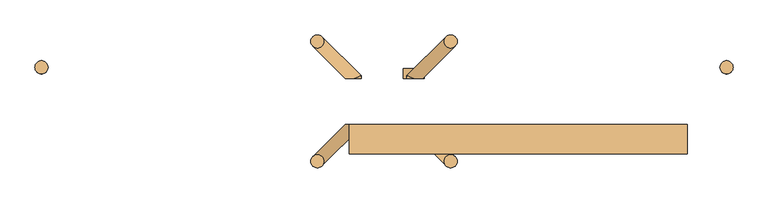
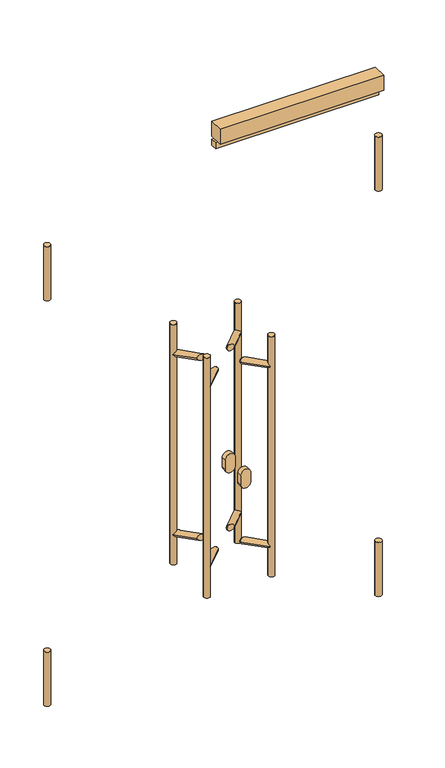
"""IFC4 building model written with IfcOpenShell, lengths in millimetres: door geometry."""

from ifc_helpers import new_model, si_unit, point, frame, frame_2d, origin, place, context, project, spatial, polyline, circle_curve, ellipse_curve, trimmed, segment, composite_curve, outline, extrude, source, transform, mapped, element, save
from ifc_brep_helpers import plane_surface, cylinder_surface, advanced_brep


def door_ab7dcd60(model_context):
    return source(origin(), model_context, "Body", "SolidModel", [
        extrude(outline(polyline([(-633.0, -70.0), (-118.0, -70.0), (-118.0, -90.0), (-633.0, -90.0), (-633.0, -70.0)])), frame((0.0, 0.0, 2051.0), z_axis=(0.0, 0.0, 1.0), x_axis=(1.0, 0.0, 0.0)), (0.0, 0.0, 1.0), 20.0),
        extrude(outline(polyline([(-633.0, -70.0), (-118.0, -70.0), (-118.0, -115.0), (-633.0, -115.0), (-633.0, -70.0)])), frame((0.0, 0.0, 2081.0), z_axis=(0.0, 0.0, 1.0), x_axis=(1.0, 0.0, 0.0)), (0.0, 0.0, 1.0), 50.0),
        advanced_brep(
        [(-488.4314575, 56.5685425, 1400.0), (-468.4314575, 56.5685425, 1400.0), (-488.4314575, 56.5685425, 600.0), (-468.4314575, 56.5685425, 600.0), (-535.0, 0.0, 710.0), (-545.0, 0.0, 700.0), (-535.0, 0.0, 690.0), (-520.8578644, 0.0, 700.0), (-535.0, 0.0, 1310.0), (-545.0, 0.0, 1300.0), (-535.0, 0.0, 1290.0), (-520.8578644, 0.0, 1300.0), (-545.0, 4.1421356, 700.0), (-545.0, 4.1421356, 1300.0), (-485.5025253, 63.6396103, 700.0), (-471.3603897, 49.4974747, 700.0), (-488.4314575, 56.5685425, 707.0710678), (-488.4314575, 56.5685425, 692.9289322), (-485.5025253, 63.6396103, 1300.0), (-471.3603897, 49.4974747, 1300.0), (-488.4314575, 56.5685425, 1307.0710678), (-488.4314575, 56.5685425, 1292.9289322)],
        [
            (0, 1, circle_curve(frame((-478.4314575, 56.5685425, 1400.0), z_axis=(0.0, 0.0, 1.0), x_axis=(1.0, 0.0, 0.0)), 10.0)),
            (1, 0, circle_curve(frame((-478.4314575, 56.5685425, 1400.0), z_axis=(0.0, 0.0, 1.0), x_axis=(1.0, 0.0, 0.0)), 10.0)),
            (2, 3, circle_curve(frame((-478.4314575, 56.5685425, 600.0), z_axis=(0.0, 0.0, -1.0), x_axis=(1.0, 0.0, 0.0)), 10.0)),
            (3, 2, circle_curve(frame((-478.4314575, 56.5685425, 600.0), z_axis=(0.0, 0.0, -1.0), x_axis=(1.0, 0.0, 0.0)), 10.0)),
            (4, 5, circle_curve(frame((-535.0, 0.0, 700.0), z_axis=(0.0, -1.0, 0.0), x_axis=(-1.0, 0.0, 0.0)), 10.0)),
            (5, 6, circle_curve(frame((-535.0, 0.0, 700.0), z_axis=(0.0, -1.0, 0.0), x_axis=(-1.0, 0.0, 0.0)), 10.0)),
            (6, 7, ellipse_curve(frame((-535.0, 0.0, 700.0), z_axis=(0.0, -1.0, 0.0), x_axis=(-1.0, 0.0, 0.0)), 14.1421356, 10.0)),
            (7, 4, ellipse_curve(frame((-535.0, 0.0, 700.0), z_axis=(0.0, -1.0, 0.0), x_axis=(-1.0, 0.0, 0.0)), 14.1421356, 10.0)),
            (8, 9, circle_curve(frame((-535.0, 0.0, 1300.0), z_axis=(0.0, -1.0, 0.0), x_axis=(-1.0, 0.0, 0.0)), 10.0)),
            (9, 10, circle_curve(frame((-535.0, 0.0, 1300.0), z_axis=(0.0, -1.0, 0.0), x_axis=(-1.0, 0.0, 0.0)), 10.0)),
            (10, 11, ellipse_curve(frame((-535.0, 0.0, 1300.0), z_axis=(0.0, -1.0, 0.0), x_axis=(-1.0, 0.0, 0.0)), 14.1421356, 10.0)),
            (11, 8, ellipse_curve(frame((-535.0, 0.0, 1300.0), z_axis=(0.0, -1.0, 0.0), x_axis=(-1.0, 0.0, 0.0)), 14.1421356, 10.0)),
            (4, 12, ellipse_curve(frame((-535.0, 0.0, 700.0), z_axis=(-0.3826834323651299, -0.9238795325112701, 0.0), x_axis=(0.9238795325112699, -0.3826834323651301, 0.0)), 10.823922, 10.0)),
            (12, 5),
            (12, 6, ellipse_curve(frame((-535.0, 0.0, 700.0), z_axis=(-0.3826834323651299, -0.9238795325112701, 0.0), x_axis=(0.9238795325112699, -0.3826834323651301, 0.0)), 10.823922, 10.0)),
            (8, 13, ellipse_curve(frame((-535.0, 0.0, 1300.0), z_axis=(-0.3826834323651299, -0.9238795325112701, 0.0), x_axis=(0.9238795325112699, -0.3826834323651301, 0.0)), 10.823922, 10.0)),
            (13, 9),
            (13, 10, ellipse_curve(frame((-535.0, 0.0, 1300.0), z_axis=(-0.3826834323651299, -0.9238795325112701, 0.0), x_axis=(0.9238795325112699, -0.3826834323651301, 0.0)), 10.823922, 10.0)),
            (14, 12),
            (7, 15),
            (15, 16, ellipse_curve(frame((-478.4314575, 56.5685425, 700.0), z_axis=(-0.5000000000000412, -0.4999999999999566, -0.707106781186549), x_axis=(-0.5000000000000456, -0.4999999999999566, 0.7071067811865459)), 14.1421356, 10.0)),
            (16, 14, ellipse_curve(frame((-478.4314575, 56.5685425, 700.0), z_axis=(-0.5000000000000412, -0.4999999999999566, -0.707106781186549), x_axis=(-0.5000000000000456, -0.4999999999999566, 0.7071067811865459)), 14.1421356, 10.0)),
            (14, 17, ellipse_curve(frame((-478.4314575, 56.5685425, 700.0), z_axis=(-0.5000000000000456, -0.4999999999999566, 0.7071067811865459), x_axis=(-0.5000000000000412, -0.4999999999999566, -0.707106781186549)), 14.1421356, 10.0)),
            (17, 15, ellipse_curve(frame((-478.4314575, 56.5685425, 700.0), z_axis=(-0.5000000000000456, -0.4999999999999566, 0.7071067811865459), x_axis=(-0.5000000000000412, -0.4999999999999566, -0.707106781186549)), 14.1421356, 10.0)),
            (18, 13),
            (11, 19),
            (19, 20, ellipse_curve(frame((-478.4314575, 56.5685425, 1300.0), z_axis=(-0.5000000000000412, -0.4999999999999566, -0.707106781186549), x_axis=(-0.5000000000000456, -0.4999999999999566, 0.7071067811865459)), 14.1421356, 10.0)),
            (20, 18, ellipse_curve(frame((-478.4314575, 56.5685425, 1300.0), z_axis=(-0.5000000000000412, -0.4999999999999566, -0.707106781186549), x_axis=(-0.5000000000000456, -0.4999999999999566, 0.7071067811865459)), 14.1421356, 10.0)),
            (18, 21, ellipse_curve(frame((-478.4314575, 56.5685425, 1300.0), z_axis=(-0.5000000000000456, -0.4999999999999566, 0.7071067811865459), x_axis=(-0.5000000000000412, -0.4999999999999566, -0.707106781186549)), 14.1421356, 10.0)),
            (21, 19, ellipse_curve(frame((-478.4314575, 56.5685425, 1300.0), z_axis=(-0.5000000000000456, -0.4999999999999566, 0.7071067811865459), x_axis=(-0.5000000000000412, -0.4999999999999566, -0.707106781186549)), 14.1421356, 10.0)),
            (0, 20),
            (21, 16),
            (17, 2),
            (3, 1),
        ],
        [
            plane_surface(frame((-468.4314575, 56.5685425, 1400.0), z_axis=(0.0, 0.0, 1.0), x_axis=(0.0, 1.0, 0.0))),
            plane_surface(frame((-468.4314575, 56.5685425, 600.0), z_axis=(0.0, 0.0, -1.0), x_axis=(0.0, -1.0, 0.0))),
            plane_surface(frame((-675.0, 0.0, 600.0), z_axis=(0.0, -1.0, 0.0), x_axis=(0.0, 0.0, 1.0))),
            cylinder_surface(frame((-535.0, -70.0, 700.0), z_axis=(0.0, -1.0, 0.0), x_axis=(-1.0, 0.0, 0.0)), 10.0),
            cylinder_surface(frame((-535.0, -70.0, 1300.0), z_axis=(0.0, -1.0, 0.0), x_axis=(-1.0, 0.0, 0.0)), 10.0),
            cylinder_surface(frame((-535.0, 0.0, 700.0), z_axis=(-0.707106781186609, -0.7071067811864862, 0.0), x_axis=(-0.7071067811864862, 0.707106781186609, 0.0)), 10.0),
            cylinder_surface(frame((-535.0, 0.0, 1300.0), z_axis=(-0.707106781186609, -0.7071067811864862, 0.0), x_axis=(-0.7071067811864862, 0.707106781186609, 0.0)), 10.0),
            cylinder_surface(frame((-478.4314575, 56.5685425, 600.0), z_axis=(0.0, 0.0, 1.0), x_axis=(1.0, 0.0, 0.0)), 10.0),
        ],
        [
            (0, [[1, 2]]),
            (1, [[3, 4]]),
            (2, [[5, 6, 7, 8]]),
            (2, [[9, 10, 11, 12]]),
            (3, [[13, 14, -5]]),
            (3, [[-14, 15, -6]]),
            (4, [[16, 17, -9]]),
            (4, [[-17, 18, -10]]),
            (5, [[19, -13, -8, 20, 21, 22]]),
            (5, [[-19, 23, 24, -20, -7, -15]]),
            (6, [[25, -16, -12, 26, 27, 28]]),
            (6, [[-25, 29, 30, -26, -11, -18]]),
            (7, [[-1, 31, -27, -30, 32, -21, -24, 33, -4, 34]]),
            (7, [[-2, -34, -3, -33, -23, -22, -32, -29, -28, -31]]),
        ],
    ),
        advanced_brep(
        [(-488.4314575, -126.5685425, 1400.0), (-468.4314575, -126.5685425, 1400.0), (-488.4314575, -126.5685425, 600.0), (-468.4314575, -126.5685425, 600.0), (-535.0, -70.0, 710.0), (-520.8578644, -70.0, 700.0), (-535.0, -70.0, 690.0), (-545.0, -70.0, 700.0), (-535.0, -70.0, 1310.0), (-520.8578644, -70.0, 1300.0), (-535.0, -70.0, 1290.0), (-545.0, -70.0, 1300.0), (-545.0, -74.1421356, 700.0), (-485.5025253, -133.6396103, 700.0), (-488.4314575, -126.5685425, 707.0710678), (-471.3603897, -119.4974747, 700.0), (-488.4314575, -126.5685425, 692.9289322), (-545.0, -74.1421356, 1300.0), (-485.5025253, -133.6396103, 1300.0), (-488.4314575, -126.5685425, 1307.0710678), (-471.3603897, -119.4974747, 1300.0), (-488.4314575, -126.5685425, 1292.9289322)],
        [
            (0, 1, circle_curve(frame((-478.4314575, -126.5685425, 1400.0), z_axis=(0.0, 0.0, 1.0), x_axis=(1.0, 0.0, 0.0)), 10.0)),
            (1, 0, circle_curve(frame((-478.4314575, -126.5685425, 1400.0), z_axis=(0.0, 0.0, 1.0), x_axis=(1.0, 0.0, 0.0)), 10.0)),
            (2, 3, circle_curve(frame((-478.4314575, -126.5685425, 600.0), z_axis=(0.0, 0.0, -1.0), x_axis=(1.0, 0.0, 0.0)), 10.0)),
            (3, 2, circle_curve(frame((-478.4314575, -126.5685425, 600.0), z_axis=(0.0, 0.0, -1.0), x_axis=(1.0, 0.0, 0.0)), 10.0)),
            (4, 5, ellipse_curve(frame((-535.0, -70.0, 700.0), z_axis=(0.0, 1.0, 0.0), x_axis=(1.0, 0.0, 0.0)), 14.1421356, 10.0)),
            (5, 6, ellipse_curve(frame((-535.0, -70.0, 700.0), z_axis=(0.0, 1.0, 0.0), x_axis=(1.0, 0.0, 0.0)), 14.1421356, 10.0)),
            (6, 7, circle_curve(frame((-535.0, -70.0, 700.0), z_axis=(0.0, 1.0, 0.0), x_axis=(-1.0, 0.0, 0.0)), 10.0)),
            (7, 4, circle_curve(frame((-535.0, -70.0, 700.0), z_axis=(0.0, 1.0, 0.0), x_axis=(-1.0, 0.0, 0.0)), 10.0)),
            (8, 9, ellipse_curve(frame((-535.0, -70.0, 1300.0), z_axis=(0.0, 1.0, 0.0), x_axis=(1.0, 0.0, 0.0)), 14.1421356, 10.0)),
            (9, 10, ellipse_curve(frame((-535.0, -70.0, 1300.0), z_axis=(0.0, 1.0, 0.0), x_axis=(1.0, 0.0, 0.0)), 14.1421356, 10.0)),
            (10, 11, circle_curve(frame((-535.0, -70.0, 1300.0), z_axis=(0.0, 1.0, 0.0), x_axis=(-1.0, 0.0, 0.0)), 10.0)),
            (11, 8, circle_curve(frame((-535.0, -70.0, 1300.0), z_axis=(0.0, 1.0, 0.0), x_axis=(-1.0, 0.0, 0.0)), 10.0)),
            (12, 13),
            (13, 14, ellipse_curve(frame((-478.4314575, -126.5685425, 700.0), z_axis=(-0.500000000000014, 0.49999999999998257, -0.7071067811865498), x_axis=(0.5000000000000198, -0.4999999999999838, -0.7071067811865449)), 14.1421356, 10.0)),
            (14, 15, ellipse_curve(frame((-478.4314575, -126.5685425, 700.0), z_axis=(-0.500000000000014, 0.49999999999998257, -0.7071067811865498), x_axis=(0.5000000000000198, -0.4999999999999838, -0.7071067811865449)), 14.1421356, 10.0)),
            (15, 5),
            (4, 12, ellipse_curve(frame((-535.0, -70.0, 700.0), z_axis=(0.38268343236510527, -0.9238795325112804, 0.0), x_axis=(0.9238795325112802, 0.38268343236510555, 0.0)), 10.823922, 10.0)),
            (12, 6, ellipse_curve(frame((-535.0, -70.0, 700.0), z_axis=(0.38268343236510527, -0.9238795325112804, 0.0), x_axis=(0.9238795325112802, 0.38268343236510555, 0.0)), 10.823922, 10.0)),
            (15, 16, ellipse_curve(frame((-478.4314575, -126.5685425, 700.0), z_axis=(-0.5000000000000197, 0.49999999999998374, 0.7071067811865451), x_axis=(0.500000000000014, -0.49999999999998257, 0.7071067811865498)), 14.1421356, 10.0)),
            (16, 13, ellipse_curve(frame((-478.4314575, -126.5685425, 700.0), z_axis=(-0.5000000000000197, 0.49999999999998374, 0.7071067811865451), x_axis=(0.500000000000014, -0.49999999999998257, 0.7071067811865498)), 14.1421356, 10.0)),
            (17, 18),
            (18, 19, ellipse_curve(frame((-478.4314575, -126.5685425, 1300.0), z_axis=(-0.500000000000014, 0.49999999999998257, -0.7071067811865498), x_axis=(0.5000000000000198, -0.4999999999999838, -0.7071067811865449)), 14.1421356, 10.0)),
            (19, 20, ellipse_curve(frame((-478.4314575, -126.5685425, 1300.0), z_axis=(-0.500000000000014, 0.49999999999998257, -0.7071067811865498), x_axis=(0.5000000000000198, -0.4999999999999838, -0.7071067811865449)), 14.1421356, 10.0)),
            (20, 9),
            (8, 17, ellipse_curve(frame((-535.0, -70.0, 1300.0), z_axis=(0.38268343236510527, -0.9238795325112804, 0.0), x_axis=(0.9238795325112802, 0.38268343236510555, 0.0)), 10.823922, 10.0)),
            (17, 10, ellipse_curve(frame((-535.0, -70.0, 1300.0), z_axis=(0.38268343236510527, -0.9238795325112804, 0.0), x_axis=(0.9238795325112802, 0.38268343236510555, 0.0)), 10.823922, 10.0)),
            (20, 21, ellipse_curve(frame((-478.4314575, -126.5685425, 1300.0), z_axis=(-0.5000000000000197, 0.49999999999998374, 0.7071067811865451), x_axis=(0.500000000000014, -0.49999999999998257, 0.7071067811865498)), 14.1421356, 10.0)),
            (21, 18, ellipse_curve(frame((-478.4314575, -126.5685425, 1300.0), z_axis=(-0.5000000000000197, 0.49999999999998374, 0.7071067811865451), x_axis=(0.500000000000014, -0.49999999999998257, 0.7071067811865498)), 14.1421356, 10.0)),
            (7, 12),
            (11, 17),
            (0, 19),
            (21, 14),
            (16, 2),
            (3, 1),
        ],
        [
            plane_surface(frame((-468.4314575, 56.5685425, 1400.0), z_axis=(0.0, 0.0, 1.0), x_axis=(0.0, 1.0, 0.0))),
            plane_surface(frame((-468.4314575, 56.5685425, 600.0), z_axis=(0.0, 0.0, -1.0), x_axis=(0.0, -1.0, 0.0))),
            plane_surface(frame((-485.0, -70.0, 600.0), z_axis=(0.0, 1.0, 0.0), x_axis=(0.0, 0.0, 1.0))),
            cylinder_surface(frame((-478.4314575, -126.5685425, 700.0), z_axis=(0.7071067811865713, -0.7071067811865237, 0.0), x_axis=(-0.7071067811865237, -0.7071067811865713, 0.0)), 10.0),
            cylinder_surface(frame((-478.4314575, -126.5685425, 1300.0), z_axis=(0.7071067811865713, -0.7071067811865237, 0.0), x_axis=(-0.7071067811865237, -0.7071067811865713, 0.0)), 10.0),
            cylinder_surface(frame((-535.0, -70.0, 700.0), z_axis=(0.0, -1.0, 0.0), x_axis=(-1.0, 0.0, 0.0)), 10.0),
            cylinder_surface(frame((-535.0, -70.0, 1300.0), z_axis=(0.0, -1.0, 0.0), x_axis=(-1.0, 0.0, 0.0)), 10.0),
            cylinder_surface(frame((-478.4314575, -126.5685425, 1000.0), z_axis=(0.0, 0.0, 1.0), x_axis=(1.0, 0.0, 0.0)), 10.0),
        ],
        [
            (0, [[1, 2]]),
            (1, [[3, 4]]),
            (2, [[5, 6, 7, 8]]),
            (2, [[9, 10, 11, 12]]),
            (3, [[13, 14, 15, 16, -5, 17]]),
            (3, [[-13, 18, -6, -16, 19, 20]]),
            (4, [[21, 22, 23, 24, -9, 25]]),
            (4, [[-21, 26, -10, -24, 27, 28]]),
            (5, [[-17, -8, 29]]),
            (5, [[-18, -29, -7]]),
            (6, [[-25, -12, 30]]),
            (6, [[-26, -30, -11]]),
            (7, [[-1, 31, -22, -28, 32, -14, -20, 33, -4, 34]]),
            (7, [[-2, -34, -3, -33, -19, -15, -32, -27, -23, -31]]),
        ],
    ),
        advanced_brep(
        [(-691.5685425, 56.5685425, 1400.0), (-671.5685425, 56.5685425, 1400.0), (-691.5685425, 56.5685425, 600.0), (-671.5685425, 56.5685425, 600.0), (-625.0, 0.0, 690.0), (-615.0, 0.0, 700.0), (-625.0, 0.0, 710.0), (-639.1421356, 0.0, 700.0), (-625.0, 0.0, 1290.0), (-615.0, 0.0, 1300.0), (-625.0, 0.0, 1310.0), (-639.1421356, 0.0, 1300.0), (-671.5685425, 56.5685425, 692.9289322), (-688.6396103, 49.4974747, 700.0), (-671.5685425, 56.5685425, 707.0710678), (-671.5685425, 56.5685425, 1292.9289322), (-688.6396103, 49.4974747, 1300.0), (-671.5685425, 56.5685425, 1307.0710678), (-674.4974747, 63.6396103, 1300.0), (-674.4974747, 63.6396103, 700.0), (-615.0, 4.1421356, 700.0), (-615.0, 4.1421356, 1300.0)],
        [
            (0, 1, circle_curve(frame((-681.5685425, 56.5685425, 1400.0), z_axis=(0.0, 0.0, 1.0), x_axis=(1.0, 0.0, 0.0)), 10.0)),
            (1, 0, circle_curve(frame((-681.5685425, 56.5685425, 1400.0), z_axis=(0.0, 0.0, 1.0), x_axis=(1.0, 0.0, 0.0)), 10.0)),
            (2, 3, circle_curve(frame((-681.5685425, 56.5685425, 600.0), z_axis=(0.0, 0.0, -1.0), x_axis=(1.0, 0.0, 0.0)), 10.0)),
            (3, 2, circle_curve(frame((-681.5685425, 56.5685425, 600.0), z_axis=(0.0, 0.0, -1.0), x_axis=(1.0, 0.0, 0.0)), 10.0)),
            (4, 5, circle_curve(frame((-625.0, 0.0, 700.0), z_axis=(0.0, -1.0, 0.0), x_axis=(-1.0, 0.0, 0.0)), 10.0)),
            (5, 6, circle_curve(frame((-625.0, 0.0, 700.0), z_axis=(0.0, -1.0, 0.0), x_axis=(-1.0, 0.0, 0.0)), 10.0)),
            (6, 7, ellipse_curve(frame((-625.0, 0.0, 700.0), z_axis=(0.0, -1.0, 0.0), x_axis=(1.0, 0.0, 0.0)), 14.1421356, 10.0)),
            (7, 4, ellipse_curve(frame((-625.0, 0.0, 700.0), z_axis=(0.0, -1.0, 0.0), x_axis=(1.0, 0.0, 0.0)), 14.1421356, 10.0)),
            (8, 9, circle_curve(frame((-625.0, 0.0, 1300.0), z_axis=(0.0, -1.0, 0.0), x_axis=(-1.0, 0.0, 0.0)), 10.0)),
            (9, 10, circle_curve(frame((-625.0, 0.0, 1300.0), z_axis=(0.0, -1.0, 0.0), x_axis=(-1.0, 0.0, 0.0)), 10.0)),
            (10, 11, ellipse_curve(frame((-625.0, 0.0, 1300.0), z_axis=(0.0, -1.0, 0.0), x_axis=(1.0, 0.0, 0.0)), 14.1421356, 10.0)),
            (11, 8, ellipse_curve(frame((-625.0, 0.0, 1300.0), z_axis=(0.0, -1.0, 0.0), x_axis=(1.0, 0.0, 0.0)), 14.1421356, 10.0)),
            (0, 2),
            (3, 12),
            (12, 13, ellipse_curve(frame((-681.5685425, 56.5685425, 700.0), z_axis=(-0.5000000000000755, 0.4999999999999223, -0.707106781186549), x_axis=(-0.5000000000000799, 0.4999999999999222, 0.707106781186546)), 14.1421356, 10.0)),
            (13, 14, ellipse_curve(frame((-681.5685425, 56.5685425, 700.0), z_axis=(-0.5000000000000799, 0.4999999999999223, 0.7071067811865459), x_axis=(0.5000000000000754, -0.4999999999999223, 0.7071067811865491)), 14.1421356, 10.0)),
            (14, 15),
            (15, 16, ellipse_curve(frame((-681.5685425, 56.5685425, 1300.0), z_axis=(-0.5000000000000755, 0.4999999999999223, -0.707106781186549), x_axis=(-0.5000000000000799, 0.4999999999999222, 0.707106781186546)), 14.1421356, 10.0)),
            (16, 17, ellipse_curve(frame((-681.5685425, 56.5685425, 1300.0), z_axis=(-0.5000000000000799, 0.4999999999999223, 0.7071067811865459), x_axis=(0.5000000000000754, -0.4999999999999223, 0.7071067811865491)), 14.1421356, 10.0)),
            (17, 1),
            (17, 18, ellipse_curve(frame((-681.5685425, 56.5685425, 1300.0), z_axis=(-0.5000000000000799, 0.4999999999999223, 0.7071067811865459), x_axis=(0.5000000000000754, -0.4999999999999223, 0.7071067811865491)), 14.1421356, 10.0)),
            (18, 15, ellipse_curve(frame((-681.5685425, 56.5685425, 1300.0), z_axis=(-0.5000000000000755, 0.4999999999999223, -0.707106781186549), x_axis=(-0.5000000000000799, 0.4999999999999222, 0.707106781186546)), 14.1421356, 10.0)),
            (14, 19, ellipse_curve(frame((-681.5685425, 56.5685425, 700.0), z_axis=(-0.5000000000000799, 0.4999999999999223, 0.7071067811865459), x_axis=(0.5000000000000754, -0.4999999999999223, 0.7071067811865491)), 14.1421356, 10.0)),
            (19, 12, ellipse_curve(frame((-681.5685425, 56.5685425, 700.0), z_axis=(-0.5000000000000755, 0.4999999999999223, -0.707106781186549), x_axis=(-0.5000000000000799, 0.4999999999999222, 0.707106781186546)), 14.1421356, 10.0)),
            (4, 20, ellipse_curve(frame((-625.0, 0.0, 700.0), z_axis=(0.3826834323651617, -0.923879532511257, 0.0), x_axis=(-0.9238795325112571, -0.3826834323651615, 0.0)), 10.823922, 10.0)),
            (20, 5),
            (20, 6, ellipse_curve(frame((-625.0, 0.0, 700.0), z_axis=(0.3826834323651617, -0.923879532511257, 0.0), x_axis=(-0.9238795325112571, -0.3826834323651615, 0.0)), 10.823922, 10.0)),
            (8, 21, ellipse_curve(frame((-625.0, 0.0, 1300.0), z_axis=(0.3826834323651617, -0.923879532511257, 0.0), x_axis=(-0.9238795325112571, -0.3826834323651615, 0.0)), 10.823922, 10.0)),
            (21, 9),
            (21, 10, ellipse_curve(frame((-625.0, 0.0, 1300.0), z_axis=(0.3826834323651617, -0.923879532511257, 0.0), x_axis=(-0.9238795325112571, -0.3826834323651615, 0.0)), 10.823922, 10.0)),
            (19, 20),
            (7, 13),
            (18, 21),
            (11, 16),
        ],
        [
            plane_surface(frame((-468.4314575, 56.5685425, 1400.0), z_axis=(0.0, 0.0, 1.0), x_axis=(0.0, 1.0, 0.0))),
            plane_surface(frame((-468.4314575, 56.5685425, 600.0), z_axis=(0.0, 0.0, -1.0), x_axis=(0.0, -1.0, 0.0))),
            plane_surface(frame((-675.0, 0.0, 600.0), z_axis=(0.0, -1.0, 0.0), x_axis=(0.0, 0.0, 1.0))),
            cylinder_surface(frame((-681.5685425, 56.5685425, 1000.0), z_axis=(0.0, 0.0, 1.0), x_axis=(1.0, 0.0, 0.0)), 10.0),
            cylinder_surface(frame((-625.0, -70.0, 700.0), z_axis=(0.0, -1.0, 0.0), x_axis=(-1.0, 0.0, 0.0)), 10.0),
            cylinder_surface(frame((-625.0, -70.0, 1300.0), z_axis=(0.0, -1.0, 0.0), x_axis=(-1.0, 0.0, 0.0)), 10.0),
            cylinder_surface(frame((-625.0, 0.0, 700.0), z_axis=(0.7071067811866575, -0.7071067811864377, 0.0), x_axis=(-0.7071067811864377, -0.7071067811866575, 0.0)), 10.0),
            cylinder_surface(frame((-625.0, 0.0, 1300.0), z_axis=(0.7071067811866575, -0.7071067811864377, 0.0), x_axis=(-0.7071067811864377, -0.7071067811866575, 0.0)), 10.0),
        ],
        [
            (0, [[1, 2]]),
            (1, [[3, 4]]),
            (2, [[5, 6, 7, 8]]),
            (2, [[9, 10, 11, 12]]),
            (3, [[-1, 13, -4, 14, 15, 16, 17, 18, 19, 20]]),
            (3, [[-2, -20, 21, 22, -17, 23, 24, -14, -3, -13]]),
            (4, [[25, 26, -5]]),
            (4, [[-26, 27, -6]]),
            (5, [[28, 29, -9]]),
            (5, [[-29, 30, -10]]),
            (6, [[31, -25, -8, 32, -15, -24]]),
            (6, [[-31, -23, -16, -32, -7, -27]]),
            (7, [[33, -28, -12, 34, -18, -22]]),
            (7, [[-33, -21, -19, -34, -11, -30]]),
        ],
    ),
        advanced_brep(
        [(-691.5685425, -126.5685425, 1400.0), (-671.5685425, -126.5685425, 1400.0), (-691.5685425, -126.5685425, 600.0), (-671.5685425, -126.5685425, 600.0), (-625.0, -70.0, 690.0), (-639.1421356, -70.0, 700.0), (-625.0, -70.0, 710.0), (-615.0, -70.0, 700.0), (-625.0, -70.0, 1290.0), (-639.1421356, -70.0, 1300.0), (-625.0, -70.0, 1310.0), (-615.0, -70.0, 1300.0), (-671.5685425, -126.5685425, 692.9289322), (-674.4974747, -133.6396103, 700.0), (-671.5685425, -126.5685425, 707.0710678), (-671.5685425, -126.5685425, 1292.9289322), (-674.4974747, -133.6396103, 1300.0), (-671.5685425, -126.5685425, 1307.0710678), (-688.6396103, -119.4974747, 1300.0), (-688.6396103, -119.4974747, 700.0), (-615.0, -74.1421356, 700.0), (-615.0, -74.1421356, 1300.0)],
        [
            (0, 1, circle_curve(frame((-681.5685425, -126.5685425, 1400.0), z_axis=(0.0, 0.0, 1.0), x_axis=(1.0, 0.0, 0.0)), 10.0)),
            (1, 0, circle_curve(frame((-681.5685425, -126.5685425, 1400.0), z_axis=(0.0, 0.0, 1.0), x_axis=(1.0, 0.0, 0.0)), 10.0)),
            (2, 3, circle_curve(frame((-681.5685425, -126.5685425, 600.0), z_axis=(0.0, 0.0, -1.0), x_axis=(1.0, 0.0, 0.0)), 10.0)),
            (3, 2, circle_curve(frame((-681.5685425, -126.5685425, 600.0), z_axis=(0.0, 0.0, -1.0), x_axis=(1.0, 0.0, 0.0)), 10.0)),
            (4, 5, ellipse_curve(frame((-625.0, -70.0, 700.0), z_axis=(0.0, 1.0, 0.0), x_axis=(-1.0, 0.0, 0.0)), 14.1421356, 10.0)),
            (5, 6, ellipse_curve(frame((-625.0, -70.0, 700.0), z_axis=(0.0, 1.0, 0.0), x_axis=(-1.0, 0.0, 0.0)), 14.1421356, 10.0)),
            (6, 7, circle_curve(frame((-625.0, -70.0, 700.0), z_axis=(0.0, 1.0, 0.0), x_axis=(-1.0, 0.0, 0.0)), 10.0)),
            (7, 4, circle_curve(frame((-625.0, -70.0, 700.0), z_axis=(0.0, 1.0, 0.0), x_axis=(-1.0, 0.0, 0.0)), 10.0)),
            (8, 9, ellipse_curve(frame((-625.0, -70.0, 1300.0), z_axis=(0.0, 1.0, 0.0), x_axis=(-1.0, 0.0, 0.0)), 14.1421356, 10.0)),
            (9, 10, ellipse_curve(frame((-625.0, -70.0, 1300.0), z_axis=(0.0, 1.0, 0.0), x_axis=(-1.0, 0.0, 0.0)), 14.1421356, 10.0)),
            (10, 11, circle_curve(frame((-625.0, -70.0, 1300.0), z_axis=(0.0, 1.0, 0.0), x_axis=(-1.0, 0.0, 0.0)), 10.0)),
            (11, 8, circle_curve(frame((-625.0, -70.0, 1300.0), z_axis=(0.0, 1.0, 0.0), x_axis=(-1.0, 0.0, 0.0)), 10.0)),
            (0, 2),
            (3, 12),
            (12, 13, ellipse_curve(frame((-681.5685425, -126.5685425, 700.0), z_axis=(-0.49999999999999156, -0.500000000000005, -0.7071067811865498), x_axis=(-0.49999999999999706, -0.500000000000006, 0.7071067811865452)), 14.1421356, 10.0)),
            (13, 14, ellipse_curve(frame((-681.5685425, -126.5685425, 700.0), z_axis=(-0.49999999999999717, -0.5000000000000062, 0.7071067811865451), x_axis=(0.4999999999999915, 0.500000000000005, 0.7071067811865498)), 14.1421356, 10.0)),
            (14, 15),
            (15, 16, ellipse_curve(frame((-681.5685425, -126.5685425, 1300.0), z_axis=(-0.49999999999999156, -0.500000000000005, -0.7071067811865498), x_axis=(-0.49999999999999706, -0.500000000000006, 0.7071067811865452)), 14.1421356, 10.0)),
            (16, 17, ellipse_curve(frame((-681.5685425, -126.5685425, 1300.0), z_axis=(-0.49999999999999717, -0.5000000000000062, 0.7071067811865451), x_axis=(0.4999999999999915, 0.500000000000005, 0.7071067811865498)), 14.1421356, 10.0)),
            (17, 1),
            (17, 18, ellipse_curve(frame((-681.5685425, -126.5685425, 1300.0), z_axis=(-0.49999999999999717, -0.5000000000000062, 0.7071067811865451), x_axis=(0.4999999999999915, 0.500000000000005, 0.7071067811865498)), 14.1421356, 10.0)),
            (18, 15, ellipse_curve(frame((-681.5685425, -126.5685425, 1300.0), z_axis=(-0.49999999999999156, -0.500000000000005, -0.7071067811865498), x_axis=(-0.49999999999999706, -0.500000000000006, 0.7071067811865452)), 14.1421356, 10.0)),
            (14, 19, ellipse_curve(frame((-681.5685425, -126.5685425, 700.0), z_axis=(-0.49999999999999717, -0.5000000000000062, 0.7071067811865451), x_axis=(0.4999999999999915, 0.500000000000005, 0.7071067811865498)), 14.1421356, 10.0)),
            (19, 12, ellipse_curve(frame((-681.5685425, -126.5685425, 700.0), z_axis=(-0.49999999999999156, -0.500000000000005, -0.7071067811865498), x_axis=(-0.49999999999999706, -0.500000000000006, 0.7071067811865452)), 14.1421356, 10.0)),
            (20, 13),
            (19, 5),
            (4, 20, ellipse_curve(frame((-625.0, -70.0, 700.0), z_axis=(-0.38268343236508445, -0.923879532511289, 0.0), x_axis=(-0.923879532511289, 0.38268343236508445, 0.0)), 10.823922, 10.0)),
            (20, 6, ellipse_curve(frame((-625.0, -70.0, 700.0), z_axis=(-0.38268343236508445, -0.923879532511289, 0.0), x_axis=(-0.923879532511289, 0.38268343236508445, 0.0)), 10.823922, 10.0)),
            (21, 16),
            (18, 9),
            (8, 21, ellipse_curve(frame((-625.0, -70.0, 1300.0), z_axis=(-0.38268343236508445, -0.923879532511289, 0.0), x_axis=(-0.923879532511289, 0.38268343236508445, 0.0)), 10.823922, 10.0)),
            (21, 10, ellipse_curve(frame((-625.0, -70.0, 1300.0), z_axis=(-0.38268343236508445, -0.923879532511289, 0.0), x_axis=(-0.923879532511289, 0.38268343236508445, 0.0)), 10.823922, 10.0)),
            (7, 20),
            (11, 21),
        ],
        [
            plane_surface(frame((-468.4314575, 56.5685425, 1400.0), z_axis=(0.0, 0.0, 1.0), x_axis=(0.0, 1.0, 0.0))),
            plane_surface(frame((-468.4314575, 56.5685425, 600.0), z_axis=(0.0, 0.0, -1.0), x_axis=(0.0, -1.0, 0.0))),
            plane_surface(frame((-485.0, -70.0, 600.0), z_axis=(0.0, 1.0, 0.0), x_axis=(0.0, 0.0, 1.0))),
            cylinder_surface(frame((-681.5685425, -126.5685425, 1000.0), z_axis=(0.0, 0.0, 1.0), x_axis=(1.0, 0.0, 0.0)), 10.0),
            cylinder_surface(frame((-681.5685425, -126.5685425, 700.0), z_axis=(-0.7071067811865396, -0.7071067811865555, 0.0), x_axis=(-0.7071067811865555, 0.7071067811865396, 0.0)), 10.0),
            cylinder_surface(frame((-681.5685425, -126.5685425, 1300.0), z_axis=(-0.7071067811865396, -0.7071067811865555, 0.0), x_axis=(-0.7071067811865555, 0.7071067811865396, 0.0)), 10.0),
            cylinder_surface(frame((-625.0, -70.0, 700.0), z_axis=(0.0, -1.0, 0.0), x_axis=(-1.0, 0.0, 0.0)), 10.0),
            cylinder_surface(frame((-625.0, -70.0, 1300.0), z_axis=(0.0, -1.0, 0.0), x_axis=(-1.0, 0.0, 0.0)), 10.0),
        ],
        [
            (0, [[1, 2]]),
            (1, [[3, 4]]),
            (2, [[5, 6, 7, 8]]),
            (2, [[9, 10, 11, 12]]),
            (3, [[-1, 13, -4, 14, 15, 16, 17, 18, 19, 20]]),
            (3, [[-2, -20, 21, 22, -17, 23, 24, -14, -3, -13]]),
            (4, [[25, -15, -24, 26, -5, 27]]),
            (4, [[-25, 28, -6, -26, -23, -16]]),
            (5, [[29, -18, -22, 30, -9, 31]]),
            (5, [[-29, 32, -10, -30, -21, -19]]),
            (6, [[-27, -8, 33]]),
            (6, [[-28, -33, -7]]),
            (7, [[-31, -12, 34]]),
            (7, [[-32, -34, -11]]),
        ],
    ),
        extrude(outline(composite_curve([segment(polyline([(930.0, -551.0), (900.0, -551.0)]), True, "CONTINUOUS"), segment(trimmed(circle_curve(frame_2d((900.0, -535.0)), 16.0), [point((900.0, -551.0))], [point((900.0, -519.0))], False, "CARTESIAN"), True, "CONTINUOUS"), segment(polyline([(900.0, -519.0), (930.0, -519.0)]), True, "CONTINUOUS"), segment(trimmed(circle_curve(frame_2d((930.0, -535.0)), 16.0), [point((930.0, -519.0))], [point((930.0, -551.0))], False, "CARTESIAN"), True, "CONTINUOUS")], self_intersect=False)), frame((0.0, 0.0, 0.0), z_axis=(0.0, 1.0, 0.0), x_axis=(0.0, 0.0, 1.0)), (0.0, 0.0, 1.0), 15.0),
        extrude(outline(composite_curve([segment(polyline([(930.0, -551.0), (900.0, -551.0)]), True, "CONTINUOUS"), segment(trimmed(circle_curve(frame_2d((900.0, -535.0)), 16.0), [point((900.0, -551.0))], [point((900.0, -519.0))], False, "CARTESIAN"), True, "CONTINUOUS"), segment(polyline([(900.0, -519.0), (930.0, -519.0)]), True, "CONTINUOUS"), segment(trimmed(circle_curve(frame_2d((930.0, -535.0)), 16.0), [point((930.0, -519.0))], [point((930.0, -551.0))], False, "CARTESIAN"), True, "CONTINUOUS")], self_intersect=False)), frame((0.0, -85.0, 0.0), z_axis=(0.0, 1.0, 0.0), x_axis=(0.0, 0.0, 1.0)), (0.0, 0.0, 1.0), 15.0),
        extrude(outline(composite_curve([segment(trimmed(circle_curve(frame_2d((-58.0, 17.0)), 10.0), [point((-68.0, 17.0))], [point((-48.0, 17.0))], False, "CARTESIAN"), True, "CONTINUOUS"), segment(trimmed(circle_curve(frame_2d((-58.0, 17.0)), 10.0), [point((-48.0, 17.0))], [point((-68.0, 17.0))], False, "CARTESIAN"), True, "CONTINUOUS")], self_intersect=False)), frame((0.0, 0.0, 1651.0), z_axis=(0.0, 0.0, 1.0), x_axis=(1.0, 0.0, 0.0)), (0.0, 0.0, 1.0), 180.0),
        extrude(outline(composite_curve([segment(trimmed(circle_curve(frame_2d((-1102.0, 17.0)), 10.0), [point((-1112.0, 17.0))], [point((-1092.0, 17.0))], False, "CARTESIAN"), True, "CONTINUOUS"), segment(trimmed(circle_curve(frame_2d((-1102.0, 17.0)), 10.0), [point((-1092.0, 17.0))], [point((-1112.0, 17.0))], False, "CARTESIAN"), True, "CONTINUOUS")], self_intersect=False)), frame((0.0, 0.0, 1651.0), z_axis=(0.0, 0.0, 1.0), x_axis=(1.0, 0.0, 0.0)), (0.0, 0.0, 1.0), 180.0),
        extrude(outline(composite_curve([segment(trimmed(circle_curve(frame_2d((-58.0, 17.0)), 10.0), [point((-68.0, 17.0))], [point((-48.0, 17.0))], False, "CARTESIAN"), True, "CONTINUOUS"), segment(trimmed(circle_curve(frame_2d((-58.0, 17.0)), 10.0), [point((-48.0, 17.0))], [point((-68.0, 17.0))], False, "CARTESIAN"), True, "CONTINUOUS")], self_intersect=False)), frame((0.0, 0.0, 300.0), z_axis=(0.0, 0.0, 1.0), x_axis=(1.0, 0.0, 0.0)), (0.0, 0.0, 1.0), 180.0),
        extrude(outline(composite_curve([segment(trimmed(circle_curve(frame_2d((-1102.0, 17.0)), 10.0), [point((-1112.0, 17.0))], [point((-1092.0, 17.0))], False, "CARTESIAN"), True, "CONTINUOUS"), segment(trimmed(circle_curve(frame_2d((-1102.0, 17.0)), 10.0), [point((-1092.0, 17.0))], [point((-1112.0, 17.0))], False, "CARTESIAN"), True, "CONTINUOUS")], self_intersect=False)), frame((0.0, 0.0, 300.0), z_axis=(0.0, 0.0, 1.0), x_axis=(1.0, 0.0, 0.0)), (0.0, 0.0, 1.0), 180.0),
    ])


if __name__ == "__main__":
    model = new_model("IFC4")
    model_context = context("Model", 3, world=origin())
    ifc_project = project(units=[si_unit("LENGTHUNIT", "METRE", prefix="MILLI")], contexts=[model_context])
    site = spatial("IfcSite", under=ifc_project)
    building = spatial("IfcBuilding", under=site)
    placement = place(None, origin())
    door_shape = door_ab7dcd60(model_context)
    element("IfcDoor", 1, at=placement, inside=building, context=model_context, shape_type="MappedRepresentation", body=[
        mapped(door_shape, transform((0.0, 0.0, 0.0), x_axis=(1.0, 0.0, 0.0), y_axis=(0.0, 1.0, 0.0), z_axis=(0.0, 0.0, 1.0))),
    ])
    save(model, "model.ifc")
